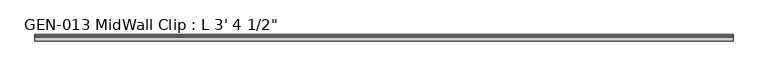
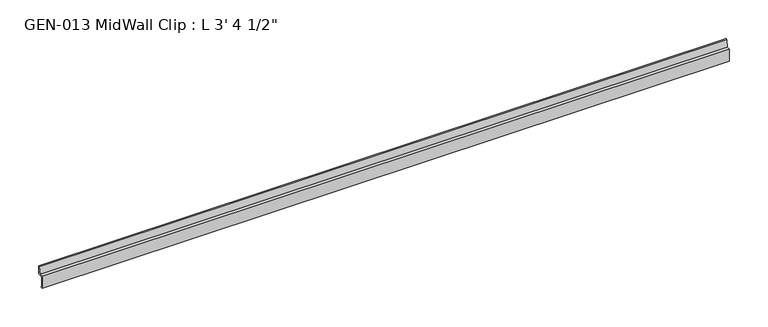
"""IFC4 building model written with IfcOpenShell, lengths in millimetres: proxy geometry."""

from ifc_helpers import new_model, si_unit, point, frame, frame_2d, origin, place, context, project, spatial, polyline, circle_curve, trimmed, segment, composite_curve, outline, extrude, source, transform, mapped, element, save


def proxy_85d5a4e0(model_context):
    return source(origin(), model_context, "Body", "SweptSolid", [
        extrude(outline(composite_curve([segment(polyline([(-3.1877, 1.1238237), (-3.1877, -13.4811763), (-1.6129, -13.4811763), (-1.6129, -15.0559763), (-4.7625, -15.0559763), (-4.7625, 3.9686237), (0.630157, 3.9686237), (2.4411308, 14.5447106)]), True, "CONTINUOUS"), segment(trimmed(circle_curve(frame_2d((3.5698235, 13.3878692)), 1.6162393), [point((2.4411308, 14.5447106))], [point((4.7625, 14.4786268))], False, "CARTESIAN"), True, "CONTINUOUS"), segment(polyline([(4.7625, 14.4786268), (4.7625, 2.3938237), (-1.9177, 2.3938237)]), True, "CONTINUOUS"), segment(trimmed(circle_curve(frame_2d((-1.9177, 1.1238237)), 1.27), [point((-1.9177, 2.3938237))], [point((-3.1877, 1.1238237))], True, "CARTESIAN"), True, "CONTINUOUS")], self_intersect=False)), frame((0.0, 0.0, 0.0), z_axis=(1.0, 0.0, 0.0), x_axis=(0.0, 1.0, 0.0)), (0.0, 0.0, 1.0), 1028.7),
    ])


if __name__ == "__main__":
    model = new_model("IFC4")
    model_context = context("Model", 3, world=origin())
    ifc_project = project(units=[si_unit("LENGTHUNIT", "METRE", prefix="MILLI")], contexts=[model_context])
    site = spatial("IfcSite", under=ifc_project)
    building = spatial("IfcBuilding", under=site)
    placement = place(None, origin())
    proxy_shape = proxy_85d5a4e0(model_context)
    element("IfcBuildingElementProxy", 1, Name="GEN-013 MidWall Clip : L 3' 4 1/2\"", ObjectType="GEN-013 MidWall Clip : L 3' 4 1/2\"", at=placement, inside=building, context=model_context, shape_type="MappedRepresentation", body=[
        mapped(proxy_shape, transform((0.0, 0.0, 0.0), x_axis=(1.0, 0.0, 0.0), y_axis=(0.0, 1.0, 0.0), z_axis=(0.0, 0.0, 1.0))),
    ])
    save(model, "model.ifc")
